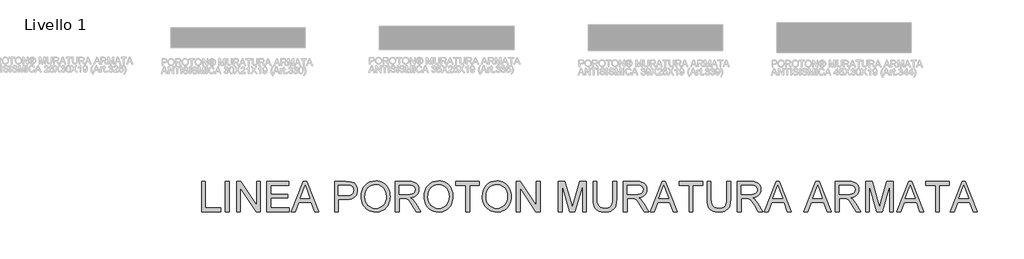
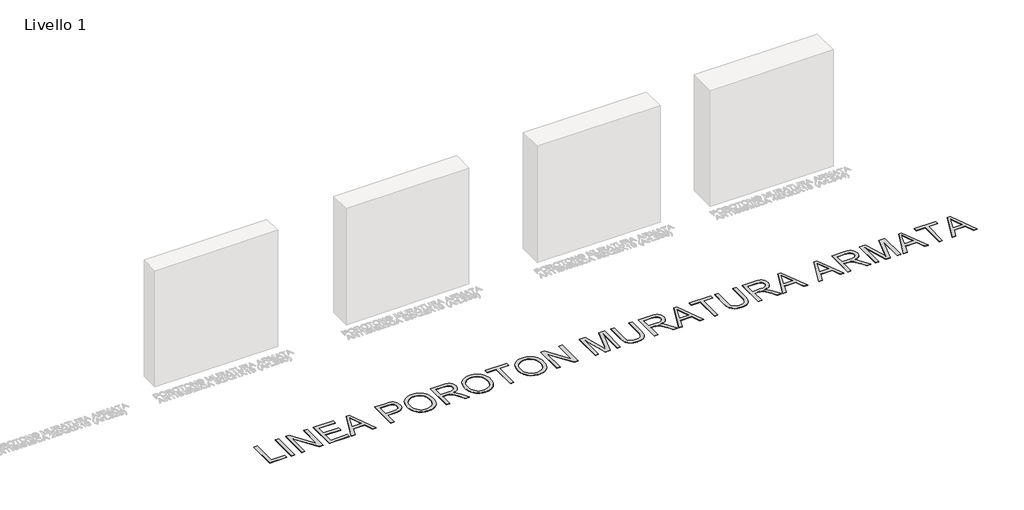
# One storey, part 4 of 8: 1 proxy.
"""IFC4 building model written with IfcOpenShell, lengths in millimetres."""

from ifc_helpers import new_model, si_unit, origin, origin_with_axes, place, context, project, spatial, polyline, outline, extrude, element, save

model = new_model("IFC4")

# Units and contexts
model_context = context("Model", 3, world=origin())
ifc_project = project(units=[si_unit("LENGTHUNIT", "METRE", prefix="MILLI")], contexts=[model_context])

# Site, building, storey
site = spatial("IfcSite", under=ifc_project)
building = spatial("IfcBuilding", under=site)
storey = spatial("IfcBuildingStorey", under=building, Name="Livello 1", Elevation=0.0)

# Proxy
placement = place(None, origin())
element("IfcBuildingElementProxy", 1, Name="450mm", ObjectType="450mm", at=placement, inside=storey, context=model_context, shape_type="SweptSolid", body=[
    extrude(outline(polyline([(-4105.5855914, -3094.7173519), (-4105.5855914, -2645.0612091), (-4049.3785735, -2645.0612091), (-4049.3785735, -3038.5103341), (-3824.5505021, -3038.5103341), (-3824.5505021, -3094.7173519), (-4105.5855914, -3094.7173519)])), origin_with_axes(), (0.0, 0.0, 1.0), 5.0),
    extrude(outline(polyline([(-3754.2917298, -3094.7173519), (-3754.2917298, -2645.0612091), (-3698.0847119, -2645.0612091), (-3698.0847119, -3094.7173519), (-3754.2917298, -3094.7173519)])), origin_with_axes(), (0.0, 0.0, 1.0), 5.0),
    extrude(outline(polyline([(-3585.6706762, -3094.7173519), (-3585.6706762, -2645.0612091), (-3525.5116024, -2645.0612091), (-3290.5838325, -3001.2951406), (-3290.5838325, -2645.0612091), (-3234.3768147, -2645.0612091), (-3234.3768147, -3094.7173519), (-3294.5358885, -3094.7173519), (-3529.4636584, -2738.3736411), (-3529.4636584, -3094.7173519), (-3585.6706762, -3094.7173519)])), origin_with_axes(), (0.0, 0.0, 1.0), 5.0),
    extrude(outline(polyline([(-3136.0145334, -3094.7173519), (-3136.0145334, -2645.0612091), (-2812.8241808, -2645.0612091), (-2812.8241808, -2701.268227), (-3079.8075156, -2701.268227), (-3079.8075156, -2834.7598944), (-2826.8759352, -2834.7598944), (-2826.8759352, -2890.9669122), (-3079.8075156, -2890.9669122), (-3079.8075156, -3038.5103341), (-2805.7983035, -3038.5103341), (-2805.7983035, -3094.7173519), (-3136.0145334, -3094.7173519)])), origin_with_axes(), (0.0, 0.0, 1.0), 5.0),
    extrude(outline(polyline([(-2773.852518, -3094.7173519), (-2594.3633106, -2645.0612091), (-2546.499522, -2645.0612091), (-2367.0103146, -3094.7173519), (-2426.400933, -3094.7173519), (-2477.8874396, -2954.1998073), (-2663.0851723, -2954.1998073), (-2714.4618995, -3094.7173519), (-2773.852518, -3094.7173519)]), holes=[polyline([(-2642.4466579, -2897.9927895), (-2498.4161747, -2897.9927895), (-2538.9247481, -2787.4450024), (-2570.4314163, -2701.268227), (-2598.4251459, -2777.7844212), (-2642.4466579, -2897.9927895)])]), origin_with_axes(), (0.0, 0.0, 1.0), 5.0),
    extrude(outline(polyline([(-2131.3140893, -3094.7173519), (-2131.3140893, -2645.0612091), (-1964.6690637, -2645.0612091), (-1897.4841127, -2649.3426031), (-1867.5280776, -2657.3427719), (-1842.8688952, -2670.3653451), (-1823.0125585, -2689.0003867), (-1807.4650607, -2713.8379605), (-1797.4202518, -2743.1353196), (-1794.0719822, -2775.1497172), (-1796.3327503, -2802.752358), (-1803.1150547, -2828.1456896), (-1814.4188952, -2851.3297123), (-1830.244272, -2872.3044258), (-1851.9702879, -2889.6907275), (-1880.9760457, -2902.1095144), (-1917.2615454, -2909.5607865), (-1960.8267871, -2912.0445439), (-2075.1070715, -2912.0445439), (-2075.1070715, -3094.7173519), (-2131.3140893, -3094.7173519)]), holes=[polyline([(-2075.1070715, -2855.8375261), (-1957.5334072, -2855.8375261), (-1907.6935906, -2850.6778975), (-1889.1134387, -2844.2283617), (-1874.759791, -2835.1990117), (-1864.049445, -2823.8299897), (-1856.3991978, -2810.3614379), (-1851.8090495, -2794.7933564), (-1850.2790001, -2777.1257452), (-1853.8879956, -2751.8764989), (-1864.7149822, -2730.5793086), (-1881.415163, -2714.5515261), (-1902.6437413, -2705.1105036), (-1958.8507592, -2701.268227), (-2075.1070715, -2701.268227), (-2075.1070715, -2855.8375261)])]), origin_with_axes(), (0.0, 0.0, 1.0), 5.0),
    extrude(outline(polyline([(-1737.8649644, -2875.8173644), (-1734.1187447, -2823.0752568), (-1722.8800856, -2776.3847347), (-1704.1489871, -2735.7457984), (-1677.9254492, -2701.1584476), (-1645.7806886, -2673.5420845), (-1609.2859221, -2653.8161108), (-1568.4411494, -2641.9805266), (-1523.2463708, -2638.0353319), (-1492.9953037, -2639.8878581), (-1464.2674248, -2645.4454368), (-1437.0627342, -2654.7080679), (-1411.3812318, -2667.6757515), (-1387.9433444, -2683.9573986), (-1367.4694991, -2703.1619204), (-1349.9596956, -2725.289317), (-1335.4139342, -2750.3395883), (-1323.9831613, -2777.743254), (-1315.8183235, -2806.9308338), (-1310.9194208, -2837.9023277), (-1309.2864532, -2870.6577359), (-1311.0051859, -2903.8454001), (-1316.1613839, -2935.2354278), (-1324.7550472, -2964.8278189), (-1336.7861758, -2992.6225734), (-1351.9700297, -3017.8855421), (-1370.0218685, -3039.8825757), (-1390.9416924, -3058.6136742), (-1414.7295014, -3074.0788376), (-1440.4487404, -3086.1820089), (-1467.1628547, -3094.8271313), (-1494.8718441, -3100.0142047), (-1523.5757088, -3101.7432292), (-1554.3550889, -3099.8323827), (-1583.4603343, -3094.0998432), (-1610.8914448, -3084.5456107), (-1636.6484205, -3071.1696853), (-1660.058863, -3054.4900881), (-1680.4503739, -3035.0248403), (-1697.8229531, -3012.773942), (-1712.1766007, -2987.7373932), (-1723.4152598, -2960.9203608), (-1731.4428734, -2933.3280119), (-1736.2594416, -2904.9603464), (-1737.8649644, -2875.8173644)]), holes=[polyline([(-1681.6579465, -2876.3662611), (-1678.8482817, -2913.629483), (-1670.4192874, -2946.7073679), (-1656.3709636, -2975.5999158), (-1636.7033102, -3000.3071266), (-1612.7954301, -3020.0948512), (-1586.0264261, -3034.2289402), (-1556.3962984, -3042.7093935), (-1523.9050468, -3045.5362113), (-1490.8580373, -3042.6819487), (-1460.877988, -3034.1191608), (-1433.9648987, -3019.8478477), (-1410.1187694, -2999.8680093), (-1390.5952014, -2974.6393466), (-1376.6497957, -2944.6215606), (-1368.2825522, -2909.8146512), (-1365.4934711, -2870.2186185), (-1370.268872, -2820.4611364), (-1384.5950748, -2777.4550832), (-1408.1015742, -2742.2845298), (-1440.417865, -2716.0335471), (-1479.4032502, -2699.6901491), (-1522.9170328, -2694.2423497), (-1554.2796156, -2696.8667619), (-1583.3779998, -2704.7399983), (-1610.2121852, -2717.8620591), (-1634.7821718, -2736.2329441), (-1655.2903233, -2760.7377493), (-1669.9390028, -2792.2615706), (-1678.7282106, -2830.8044078), (-1681.6579465, -2876.3662611)])]), origin_with_axes(), (0.0, 0.0, 1.0), 5.0),
    extrude(outline(polyline([(-1232.0018037, -3094.7173519), (-1232.0018037, -2645.0612091), (-1038.2412832, -2645.0612091), (-986.1647127, -2648.0938632), (-948.2771208, -2657.1918253), (-920.5852844, -2673.988063), (-899.0959802, -2700.115544), (-885.3049516, -2732.5141693), (-880.7079421, -2768.12384), (-882.6119274, -2791.2186669), (-888.3238832, -2812.4198004), (-897.8438097, -2831.7272403), (-911.1717067, -2849.1409868), (-928.4791044, -2864.105282), (-949.9375332, -2876.0643679), (-975.5469929, -2885.0182447), (-1005.3074836, -2890.9669122), (-973.3616981, -2915.0085859), (-927.8032754, -2972.8622937), (-852.8239918, -3094.7173519), (-918.1426942, -3094.7173519), (-976.6550781, -3001.5146993), (-1018.9201208, -2939.8187149), (-1034.6322876, -2921.8286269), (-1048.61543, -2910.6723023), (-1075.3466973, -2899.9688174), (-1107.9511588, -2897.9927895), (-1175.7947858, -2897.9927895), (-1175.7947858, -3094.7173519), (-1232.0018037, -3094.7173519)]), holes=[polyline([(-1175.7947858, -2841.7857716), (-1049.9876717, -2841.7857716), (-1013.8565491, -2839.7960212), (-985.8216523, -2833.8267701), (-964.7165757, -2823.480068), (-949.3749141, -2808.3579651), (-940.0299485, -2790.0659839), (-936.91496, -2770.2096473), (-938.4004115, -2755.8354161), (-942.8567663, -2742.7922592), (-960.6821853, -2720.6991687), (-974.2913918, -2712.1981317), (-991.3517861, -2706.1259624), (-1035.8261379, -2701.268227), (-1175.7947858, -2701.268227), (-1175.7947858, -2841.7857716)])]), origin_with_axes(), (0.0, 0.0, 1.0), 5.0),
    extrude(outline(polyline([(-803.4232926, -2875.8173644), (-799.6770729, -2823.0752568), (-788.4384138, -2776.3847347), (-769.7073153, -2735.7457984), (-743.4837774, -2701.1584476), (-711.3390169, -2673.5420845), (-674.8442503, -2653.8161108), (-633.9994776, -2641.9805266), (-588.804699, -2638.0353319), (-558.5536319, -2639.8878581), (-529.825753, -2645.4454368), (-502.6210624, -2654.7080679), (-476.93956, -2667.6757515), (-453.5016726, -2683.9573986), (-433.0278273, -2703.1619204), (-415.5180238, -2725.289317), (-400.9722624, -2750.3395883), (-389.5414895, -2777.743254), (-381.3766517, -2806.9308338), (-376.477749, -2837.9023277), (-374.8447814, -2870.6577359), (-376.5635141, -2903.8454001), (-381.7197121, -2935.2354278), (-390.3133754, -2964.8278189), (-402.344504, -2992.6225734), (-417.5283579, -3017.8855421), (-435.5801967, -3039.8825757), (-456.5000206, -3058.6136742), (-480.2878296, -3074.0788376), (-506.0070686, -3086.1820089), (-532.7211829, -3094.8271313), (-560.4301724, -3100.0142047), (-589.134037, -3101.7432292), (-619.9134171, -3099.8323827), (-649.0186625, -3094.0998432), (-676.449773, -3084.5456107), (-702.2067487, -3071.1696853), (-725.6171912, -3054.4900881), (-746.0087021, -3035.0248403), (-763.3812813, -3012.773942), (-777.7349289, -2987.7373932), (-788.973588, -2960.9203608), (-797.0012017, -2933.3280119), (-801.8177698, -2904.9603464), (-803.4232926, -2875.8173644)]), holes=[polyline([(-747.2162747, -2876.3662611), (-744.4066099, -2913.629483), (-735.9776156, -2946.7073679), (-721.9292918, -2975.5999158), (-702.2616384, -3000.3071266), (-678.3537583, -3020.0948512), (-651.5847543, -3034.2289402), (-621.9546266, -3042.7093935), (-589.463375, -3045.5362113), (-556.4163655, -3042.6819487), (-526.4363162, -3034.1191608), (-499.5232269, -3019.8478477), (-475.6770976, -2999.8680093), (-456.1535296, -2974.6393466), (-442.2081239, -2944.6215606), (-433.8408804, -2909.8146512), (-431.0517993, -2870.2186185), (-435.8272002, -2820.4611364), (-450.153403, -2777.4550832), (-473.6599024, -2742.2845298), (-505.9761932, -2716.0335471), (-544.9615784, -2699.6901491), (-588.475361, -2694.2423497), (-619.8379438, -2696.8667619), (-648.936328, -2704.7399983), (-675.7705134, -2717.8620591), (-700.3405001, -2736.2329441), (-720.8486515, -2760.7377493), (-735.497331, -2792.2615706), (-744.2865388, -2830.8044078), (-747.2162747, -2876.3662611)])]), origin_with_axes(), (0.0, 0.0, 1.0), 5.0),
    extrude(outline(polyline([(-185.1460962, -3094.7173519), (-185.1460962, -2701.268227), (-332.689518, -2701.268227), (-332.689518, -2645.0612091), (18.6043435, -2645.0612091), (18.6043435, -2701.268227), (-128.9390783, -2701.268227), (-128.9390783, -3094.7173519), (-185.1460962, -3094.7173519)])), origin_with_axes(), (0.0, 0.0, 1.0), 5.0),
    extrude(outline(polyline([(60.7596069, -2875.8173644), (64.5058266, -2823.0752568), (75.7444857, -2776.3847347), (94.4755842, -2735.7457984), (120.699122, -2701.1584476), (152.8438826, -2673.5420845), (189.3386492, -2653.8161108), (230.1834218, -2641.9805266), (275.3782005, -2638.0353319), (305.6292676, -2639.8878581), (334.3571465, -2645.4454368), (361.5618371, -2654.7080679), (387.2433395, -2667.6757515), (410.6812268, -2683.9573986), (431.1550722, -2703.1619204), (448.6648756, -2725.289317), (463.2106371, -2750.3395883), (474.64141, -2777.743254), (482.8062478, -2806.9308338), (487.7051505, -2837.9023277), (489.338118, -2870.6577359), (487.6193854, -2903.8454001), (482.4631874, -2935.2354278), (473.8695241, -2964.8278189), (461.8383954, -2992.6225734), (446.6545416, -3017.8855421), (428.6027028, -3039.8825757), (407.6828788, -3058.6136742), (383.8950699, -3074.0788376), (358.1758308, -3086.1820089), (331.4617166, -3094.8271313), (303.7527271, -3100.0142047), (275.0488625, -3101.7432292), (244.2694823, -3099.8323827), (215.164237, -3094.0998432), (187.7331265, -3084.5456107), (161.9761508, -3071.1696853), (138.5657083, -3054.4900881), (118.1741974, -3035.0248403), (100.8016182, -3012.773942), (86.4479705, -2987.7373932), (75.2093115, -2960.9203608), (67.1816978, -2933.3280119), (62.3651296, -2904.9603464), (60.7596069, -2875.8173644)]), holes=[polyline([(116.9666248, -2876.3662611), (119.7762895, -2913.629483), (128.2052839, -2946.7073679), (142.2536077, -2975.5999158), (161.9212611, -3000.3071266), (185.8291412, -3020.0948512), (212.5981451, -3034.2289402), (242.2282729, -3042.7093935), (274.7195245, -3045.5362113), (307.7665339, -3042.6819487), (337.7465833, -3034.1191608), (364.6596726, -3019.8478477), (388.5058018, -2999.8680093), (408.0293699, -2974.6393466), (421.9747756, -2944.6215606), (430.342019, -2909.8146512), (433.1311002, -2870.2186185), (428.3556993, -2820.4611364), (414.0294965, -2777.4550832), (390.5229971, -2742.2845298), (358.2067063, -2716.0335471), (319.2213211, -2699.6901491), (275.7075385, -2694.2423497), (244.3449556, -2696.8667619), (215.2465715, -2704.7399983), (188.4123861, -2717.8620591), (163.8423994, -2736.2329441), (143.334248, -2760.7377493), (128.6855684, -2792.2615706), (119.8963607, -2830.8044078), (116.9666248, -2876.3662611)])]), origin_with_axes(), (0.0, 0.0, 1.0), 5.0),
    extrude(outline(polyline([(566.6227676, -3094.7173519), (566.6227676, -2645.0612091), (626.7818414, -2645.0612091), (861.7096113, -3001.2951406), (861.7096113, -2645.0612091), (917.9166292, -2645.0612091), (917.9166292, -3094.7173519), (857.7575554, -3094.7173519), (622.8297854, -2738.3736411), (622.8297854, -3094.7173519), (566.6227676, -3094.7173519)])), origin_with_axes(), (0.0, 0.0, 1.0), 5.0),
    extrude(outline(polyline([(1191.9258412, -3094.7173519), (1191.9258412, -2645.0612091), (1288.6414325, -2645.0612091), (1380.6365125, -2961.9941399), (1399.1892195, -3028.1910769), (1419.2788372, -2956.5051733), (1509.7370066, -2645.0612091), (1606.4525979, -2645.0612091), (1606.4525979, -3094.7173519), (1550.24558, -3094.7173519), (1550.24558, -2701.268227), (1437.2826476, -3094.7173519), (1361.0957914, -3094.7173519), (1248.132859, -2701.268227), (1248.132859, -3094.7173519), (1191.9258412, -3094.7173519)])), origin_with_axes(), (0.0, 0.0, 1.0), 5.0),
    extrude(outline(polyline([(1999.9017228, -2645.0612091), (2056.1087407, -2645.0612091), (2056.1087407, -2904.46977), (2052.2939089, -2965.2189077), (2040.8494136, -3011.9986255), (2031.6897006, -3030.9698662), (2019.4698887, -3048.0885808), (2004.189978, -3063.3547691), (1985.8499684, -3076.7684312), (1964.4292762, -3087.6949053), (1939.907318, -3095.4995297), (1912.2840937, -3100.1823043), (1881.5596032, -3101.7432292), (1824.4880731, -3096.3091523), (1800.2439938, -3089.5165561), (1778.8610384, -3080.0069215), (1760.3357761, -3067.9209032), (1744.6647765, -3053.399156), (1731.8480395, -3036.4416798), (1721.8855652, -3017.0484747), (1709.0825506, -2968.292729), (1704.8148791, -2904.46977), (1704.8148791, -2645.0612091), (1761.0218969, -2645.0612091), (1761.0218969, -2902.4937421), (1763.7938251, -2953.0059571), (1772.1096094, -2988.1765105), (1787.1768227, -3012.5337997), (1810.2030376, -3030.6062222), (1840.2276848, -3041.803714), (1876.2901953, -3045.5362113), (1907.2685504, -3043.6905463), (1933.4577823, -3038.1535513), (1954.8578908, -3028.9252262), (1971.4688759, -3016.0055711), (1983.9082464, -2997.8370917), (1992.7935111, -2972.8622937), (1998.1246699, -2941.0811772), (1999.9017228, -2902.4937421), (1999.9017228, -2645.0612091)])), origin_with_axes(), (0.0, 0.0, 1.0), 5.0),
    extrude(outline(polyline([(2154.4710219, -3094.7173519), (2154.4710219, -2645.0612091), (2348.2315424, -2645.0612091), (2400.3081129, -2648.0938632), (2438.1957048, -2657.1918253), (2465.8875412, -2673.988063), (2487.3768454, -2700.115544), (2501.167874, -2732.5141693), (2505.7648835, -2768.12384), (2503.8608982, -2791.2186669), (2498.1489423, -2812.4198004), (2488.6290159, -2831.7272403), (2475.3011189, -2849.1409868), (2457.9937212, -2864.105282), (2436.5352924, -2876.0643679), (2410.9258327, -2885.0182447), (2381.165342, -2890.9669122), (2413.1111275, -2915.0085859), (2458.6695502, -2972.8622937), (2533.6488337, -3094.7173519), (2468.3301314, -3094.7173519), (2409.8177475, -3001.5146993), (2367.5527048, -2939.8187149), (2351.840538, -2921.8286269), (2337.8573956, -2910.6723023), (2311.1261283, -2899.9688174), (2278.5216668, -2897.9927895), (2210.6780398, -2897.9927895), (2210.6780398, -3094.7173519), (2154.4710219, -3094.7173519)]), holes=[polyline([(2210.6780398, -2841.7857716), (2336.4851539, -2841.7857716), (2372.6162765, -2839.7960212), (2400.6511733, -2833.8267701), (2421.7562499, -2823.480068), (2437.0979115, -2808.3579651), (2446.4428771, -2790.0659839), (2449.5578656, -2770.2096473), (2448.0724141, -2755.8354161), (2443.6160593, -2742.7922592), (2425.7906403, -2720.6991687), (2412.1814338, -2712.1981317), (2395.1210395, -2706.1259624), (2350.6466877, -2701.268227), (2210.6780398, -2701.268227), (2210.6780398, -2841.7857716)])]), origin_with_axes(), (0.0, 0.0, 1.0), 5.0),
    extrude(outline(polyline([(2551.7624235, -3094.7173519), (2731.2516309, -2645.0612091), (2779.1154195, -2645.0612091), (2958.6046269, -3094.7173519), (2899.2140085, -3094.7173519), (2847.7275019, -2954.1998073), (2662.5297692, -2954.1998073), (2611.153042, -3094.7173519), (2551.7624235, -3094.7173519)]), holes=[polyline([(2683.1682836, -2897.9927895), (2827.1987668, -2897.9927895), (2786.6901934, -2787.4450024), (2755.1835252, -2701.268227), (2727.1897956, -2777.7844212), (2683.1682836, -2897.9927895)])]), origin_with_axes(), (0.0, 0.0, 1.0), 5.0),
    extrude(outline(polyline([(3131.0679571, -3094.7173519), (3131.0679571, -2701.268227), (2983.5245352, -2701.268227), (2983.5245352, -2645.0612091), (3334.8183968, -2645.0612091), (3334.8183968, -2701.268227), (3187.2749749, -2701.268227), (3187.2749749, -3094.7173519), (3131.0679571, -3094.7173519)])), origin_with_axes(), (0.0, 0.0, 1.0), 5.0),
    extrude(outline(polyline([(3693.1381356, -2645.0612091), (3749.3451535, -2645.0612091), (3749.3451535, -2904.46977), (3745.5303217, -2965.2189077), (3734.0858264, -3011.9986255), (3724.9261134, -3030.9698662), (3712.7063015, -3048.0885808), (3697.4263908, -3063.3547691), (3679.0863811, -3076.7684312), (3657.665689, -3087.6949053), (3633.1437308, -3095.4995297), (3605.5205065, -3100.1823043), (3574.796016, -3101.7432292), (3517.7244859, -3096.3091523), (3493.4804066, -3089.5165561), (3472.0974511, -3080.0069215), (3453.5721889, -3067.9209032), (3437.9011893, -3053.399156), (3425.0844523, -3036.4416798), (3415.121978, -3017.0484747), (3402.3189634, -2968.292729), (3398.0512919, -2904.46977), (3398.0512919, -2645.0612091), (3454.2583097, -2645.0612091), (3454.2583097, -2902.4937421), (3457.0302379, -2953.0059571), (3465.3460222, -2988.1765105), (3480.4132355, -3012.5337997), (3503.4394504, -3030.6062222), (3533.4640976, -3041.803714), (3569.5266081, -3045.5362113), (3600.5049632, -3043.6905463), (3626.6941951, -3038.1535513), (3648.0943036, -3028.9252262), (3664.7052887, -3016.0055711), (3677.1446592, -2997.8370917), (3686.0299239, -2972.8622937), (3691.3610827, -2941.0811772), (3693.1381356, -2902.4937421), (3693.1381356, -2645.0612091)])), origin_with_axes(), (0.0, 0.0, 1.0), 5.0),
    extrude(outline(polyline([(3847.7074347, -3094.7173519), (3847.7074347, -2645.0612091), (4041.4679552, -2645.0612091), (4093.5445257, -2648.0938632), (4131.4321176, -2657.1918253), (4159.123954, -2673.988063), (4180.6132582, -2700.115544), (4194.4042868, -2732.5141693), (4199.0012963, -2768.12384), (4197.097311, -2791.2186669), (4191.3853551, -2812.4198004), (4181.8654287, -2831.7272403), (4168.5375317, -2849.1409868), (4151.230134, -2864.105282), (4129.7717052, -2876.0643679), (4104.1622455, -2885.0182447), (4074.4017548, -2890.9669122), (4106.3475403, -2915.0085859), (4151.905963, -2972.8622937), (4226.8852465, -3094.7173519), (4161.5665442, -3094.7173519), (4103.0541603, -3001.5146993), (4060.7891176, -2939.8187149), (4045.0769508, -2921.8286269), (4031.0938084, -2910.6723023), (4004.3625411, -2899.9688174), (3971.7580796, -2897.9927895), (3903.9144526, -2897.9927895), (3903.9144526, -3094.7173519), (3847.7074347, -3094.7173519)]), holes=[polyline([(3903.9144526, -2841.7857716), (4029.7215667, -2841.7857716), (4065.8526893, -2839.7960212), (4093.8875861, -2833.8267701), (4114.9926627, -2823.480068), (4130.3343243, -2808.3579651), (4139.6792899, -2790.0659839), (4142.7942784, -2770.2096473), (4141.3088268, -2755.8354161), (4136.8524721, -2742.7922592), (4119.0270531, -2720.6991687), (4105.4178466, -2712.1981317), (4088.3574523, -2706.1259624), (4043.8831005, -2701.268227), (3903.9144526, -2701.268227), (3903.9144526, -2841.7857716)])]), origin_with_axes(), (0.0, 0.0, 1.0), 5.0),
    extrude(outline(polyline([(4244.9988363, -3094.7173519), (4424.4880437, -2645.0612091), (4472.3518323, -2645.0612091), (4651.8410397, -3094.7173519), (4592.4504212, -3094.7173519), (4540.9639147, -2954.1998073), (4355.766182, -2954.1998073), (4304.3894548, -3094.7173519), (4244.9988363, -3094.7173519)]), holes=[polyline([(4376.4046964, -2897.9927895), (4520.4351796, -2897.9927895), (4479.9266062, -2787.4450024), (4448.419938, -2701.268227), (4420.4262084, -2777.7844212), (4376.4046964, -2897.9927895)])]), origin_with_axes(), (0.0, 0.0, 1.0), 5.0),
    extrude(outline(polyline([(4835.1725237, -3094.7173519), (5014.6617311, -2645.0612091), (5062.5255198, -2645.0612091), (5242.0147272, -3094.7173519), (5182.6241087, -3094.7173519), (5131.1376021, -2954.1998073), (4945.9398695, -2954.1998073), (4894.5631422, -3094.7173519), (4835.1725237, -3094.7173519)]), holes=[polyline([(4966.5783838, -2897.9927895), (5110.6088671, -2897.9927895), (5070.1002937, -2787.4450024), (5038.5936254, -2701.268227), (5010.5998959, -2777.7844212), (4966.5783838, -2897.9927895)])]), origin_with_axes(), (0.0, 0.0, 1.0), 5.0),
    extrude(outline(polyline([(5302.0640216, -3094.7173519), (5302.0640216, -2645.0612091), (5495.8245422, -2645.0612091), (5547.9011127, -2648.0938632), (5585.7887045, -2657.1918253), (5613.480541, -2673.988063), (5634.9698451, -2700.115544), (5648.7608737, -2732.5141693), (5653.3578832, -2768.12384), (5651.4538979, -2791.2186669), (5645.7419421, -2812.4198004), (5636.2220156, -2831.7272403), (5622.8941186, -2849.1409868), (5605.5867209, -2864.105282), (5584.1282921, -2876.0643679), (5558.5188324, -2885.0182447), (5528.7583417, -2890.9669122), (5560.7041272, -2915.0085859), (5606.2625499, -2972.8622937), (5681.2418335, -3094.7173519), (5615.9231311, -3094.7173519), (5557.4107473, -3001.5146993), (5515.1457045, -2939.8187149), (5499.4335377, -2921.8286269), (5485.4503953, -2910.6723023), (5458.719128, -2899.9688174), (5426.1146665, -2897.9927895), (5358.2710395, -2897.9927895), (5358.2710395, -3094.7173519), (5302.0640216, -3094.7173519)]), holes=[polyline([(5358.2710395, -2841.7857716), (5484.0781537, -2841.7857716), (5520.2092762, -2839.7960212), (5548.2441731, -2833.8267701), (5569.3492496, -2823.480068), (5584.6909112, -2808.3579651), (5594.0358768, -2790.0659839), (5597.1508654, -2770.2096473), (5595.6654138, -2755.8354161), (5591.209059, -2742.7922592), (5573.38364, -2720.6991687), (5559.7744335, -2712.1981317), (5542.7140392, -2706.1259624), (5498.2396875, -2701.268227), (5358.2710395, -2701.268227), (5358.2710395, -2841.7857716)])]), origin_with_axes(), (0.0, 0.0, 1.0), 5.0),
    extrude(outline(polyline([(5751.7201644, -3094.7173519), (5751.7201644, -2645.0612091), (5848.4357557, -2645.0612091), (5940.4308357, -2961.9941399), (5958.9835428, -3028.1910769), (5979.0731605, -2956.5051733), (6069.5313298, -2645.0612091), (6166.2469211, -2645.0612091), (6166.2469211, -3094.7173519), (6110.0399033, -3094.7173519), (6110.0399033, -2701.268227), (5997.0769709, -3094.7173519), (5920.8901147, -3094.7173519), (5807.9271823, -2701.268227), (5807.9271823, -3094.7173519), (5751.7201644, -3094.7173519)])), origin_with_axes(), (0.0, 0.0, 1.0), 5.0),
    extrude(outline(polyline([(6212.2444611, -3094.7173519), (6391.7336685, -2645.0612091), (6439.5974571, -2645.0612091), (6619.0866645, -3094.7173519), (6559.6960461, -3094.7173519), (6508.2095395, -2954.1998073), (6323.0118068, -2954.1998073), (6271.6350796, -3094.7173519), (6212.2444611, -3094.7173519)]), holes=[polyline([(6343.6503212, -2897.9927895), (6487.6808044, -2897.9927895), (6447.172231, -2787.4450024), (6415.6655628, -2701.268227), (6387.6718332, -2777.7844212), (6343.6503212, -2897.9927895)])]), origin_with_axes(), (0.0, 0.0, 1.0), 5.0),
    extrude(outline(polyline([(6791.5499947, -3094.7173519), (6791.5499947, -2701.268227), (6644.0065729, -2701.268227), (6644.0065729, -2645.0612091), (6995.3004344, -2645.0612091), (6995.3004344, -2701.268227), (6847.7570126, -2701.268227), (6847.7570126, -3094.7173519), (6791.5499947, -3094.7173519)])), origin_with_axes(), (0.0, 0.0, 1.0), 5.0),
    extrude(outline(polyline([(7006.1685883, -3094.7173519), (7185.6577957, -2645.0612091), (7233.5215843, -2645.0612091), (7413.0107917, -3094.7173519), (7353.6201732, -3094.7173519), (7302.1336666, -2954.1998073), (7116.935934, -2954.1998073), (7065.5592067, -3094.7173519), (7006.1685883, -3094.7173519)]), holes=[polyline([(7137.5744484, -2897.9927895), (7281.6049316, -2897.9927895), (7241.0963582, -2787.4450024), (7209.58969, -2701.268227), (7181.5959604, -2777.7844212), (7137.5744484, -2897.9927895)])]), origin_with_axes(), (0.0, 0.0, 1.0), 5.0),
])

save(model, "model.ifc")
